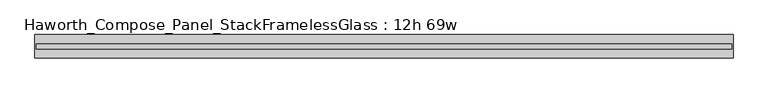
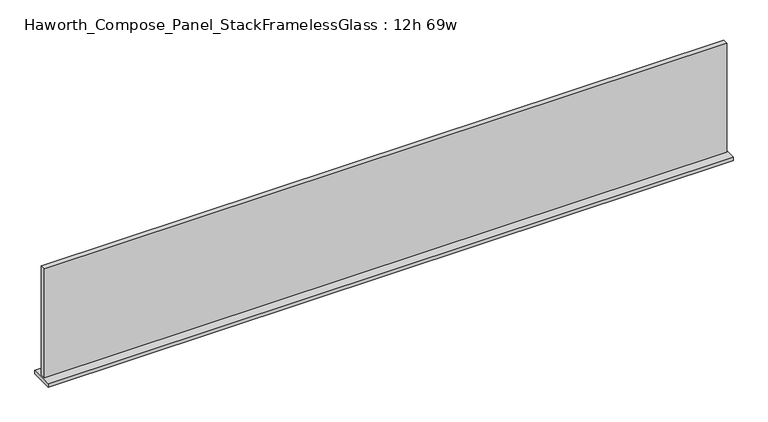
"""IFC4 building model written with IfcOpenShell, lengths in millimetres: furniture geometry, Haworth_Compose_Panel_StackFramelessGlass : 12h 69w."""

from ifc_helpers import new_model, si_unit, frame, origin, place, context, project, spatial, polyline, outline, extrude, source, transform, mapped, element, save


def haworth_compose_panel_stackframelessglass_12h_69w_8c9ddf70(model_context):
    return source(origin(), model_context, "Body", "SweptSolid", [
        extrude(outline(polyline([(875.5652902, -27.3093594), (-870.6847098, -27.3093594), (-870.6847098, -14.6093594), (875.5652902, -14.6093594), (875.5652902, -27.3093594)])), frame((0.0, 0.0, 1279.525), z_axis=(0.0, 0.0, 1.0), x_axis=(1.0, 0.0, 0.0)), (0.0, 0.0, 1.0), 295.275),
        extrude(outline(polyline([(-873.8597098, -50.3281094), (-873.8597098, 8.4093906), (878.7402902, 8.4093906), (878.7402902, -50.3281094), (-873.8597098, -50.3281094)])), frame((0.0, 0.0, 1270.0), z_axis=(0.0, 0.0, 1.0), x_axis=(1.0, 0.0, 0.0)), (0.0, 0.0, 1.0), 9.525),
    ])


if __name__ == "__main__":
    model = new_model("IFC4")
    model_context = context("Model", 3, world=origin())
    ifc_project = project(units=[si_unit("LENGTHUNIT", "METRE", prefix="MILLI")], contexts=[model_context])
    site = spatial("IfcSite", under=ifc_project)
    building = spatial("IfcBuilding", under=site)
    placement = place(None, origin())
    haworth_compose_panel_stackframelessglass_12h_69w_shape = haworth_compose_panel_stackframelessglass_12h_69w_8c9ddf70(model_context)
    element("IfcFurniture", 1, ObjectType="Haworth_Compose_Panel_StackFramelessGlass : 12h 69w", at=placement, inside=building, context=model_context, shape_type="MappedRepresentation", body=[
        mapped(haworth_compose_panel_stackframelessglass_12h_69w_shape, transform((0.0, 0.0, 0.0), x_axis=(1.0, 0.0, 0.0), y_axis=(0.0, 1.0, 0.0), z_axis=(0.0, 0.0, 1.0))),
    ])
    save(model, "model.ifc")
